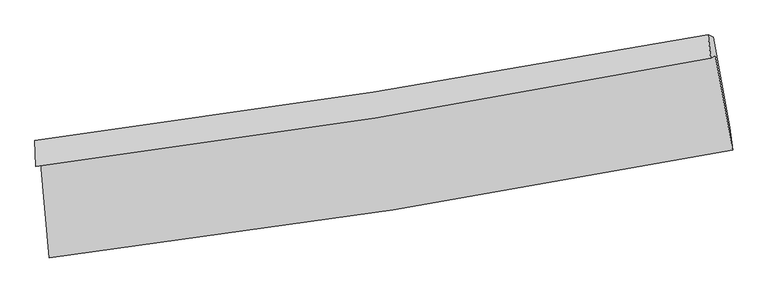
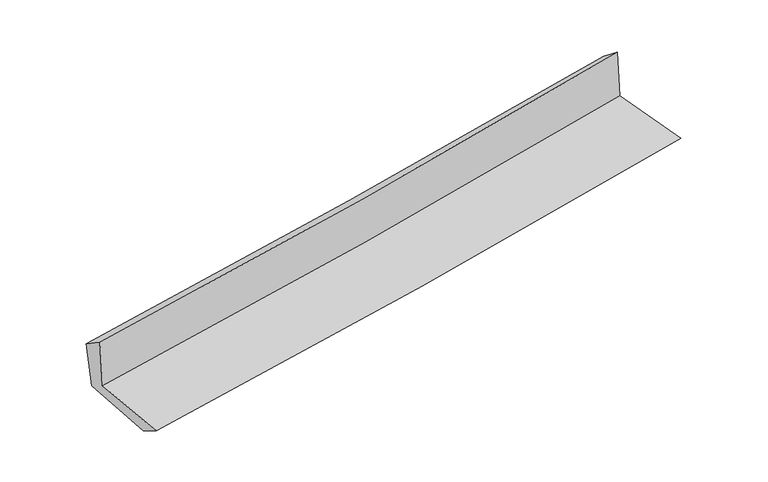
"""IFC4 building model written with IfcOpenShell, lengths in millimetres: proxy geometry."""

from ifc_helpers import new_model, si_unit, frame, origin, place, context, project, spatial, source, transform, mapped, element, save
from ifc_brep_helpers import plane_surface, spline_curve, spline_surface, advanced_brep


def generic_models_33b14139(model_context):
    return source(origin(), model_context, "Body", "AdvancedBrep", [
        advanced_brep(
        [(-2383.0013695, -1869.7456368, 1673.6898658), (-2320.8049625, -2529.0285182, 1657.4202744), (2452.9356956, -1776.0882669, 2089.5905813), (2332.271874, -1114.6298411, 2101.112519), (-2415.29111, -1888.805148, 2075.4693172), (2299.980986, -1133.6900297, 2502.9062487), (-2422.1196627, -1706.8210046, 1957.9472107), (2281.5503618, -969.2904382, 2375.8127934), (-2389.0246539, -1722.8193508, 1584.828065), (2317.7554579, -984.9887365, 2000.6935171), (-2328.0030954, -2356.7229881, 1554.7951737), (2434.2101331, -1616.3052439, 1975.2006957)],
        [
            (0, 1),
            (1, 2, spline_curve(3, [(-2320.8049625, -2529.0285182, 1657.4202744), (-1519.218954886, -2431.535182005, 1735.141508758), (-719.361730233, -2319.800189779, 1810.121560686), (871.863426383, -2068.641101669, 1954.14387529), (1663.253087962, -1929.396010009, 2023.220592682), (2452.9356956, -1776.0882669, 2089.5905813)], [4, 2, 4], [0.0, 7.938630710868494, 15.82721306355181])),
            (2, 3),
            (3, 0, spline_curve(3, [(2332.271874, -1114.6298411, 2101.112519), (1552.99861181, -1267.815832092, 2035.61059761), (771.67160021, -1407.180005463, 1967.362425932), (-800.060005312, -1659.061209641, 1824.923165533), (-1590.490741535, -1771.40230136, 1750.697119294), (-2383.0013695, -1869.7456368, 1673.6898658)], [4, 2, 4], [0.0, 7.888582352683316, 15.82721306355181])),
            (4, 0),
            (3, 5),
            (5, 4, spline_curve(3, [(2299.980986, -1133.6900297, 2502.9062487), (1520.707534331, -1286.876132468, 2437.406684493), (739.380522906, -1426.240305989, 2369.158513007), (-832.350702607, -1678.121285604, 2226.714523102), (-1622.781056612, -1790.462151425, 2152.483717304), (-2415.29111, -1888.805148, 2075.4693172)], [4, 2, 4], [0.0, 7.8414869938649225, 15.732723553903782])),
            (6, 4),
            (5, 7),
            (7, 6, spline_curve(3, [(2281.5503618, -969.2904382, 2375.8127934), (1503.464873897, -1114.3893862, 2311.484449609), (723.694457208, -1248.241069767, 2244.616315982), (-844.174103501, -1494.22775887, 2105.36011747), (-1632.293694932, -1606.219597665, 2032.939723386), (-2422.1196627, -1706.8210046, 1957.9472107)], [4, 2, 4], [0.0, 7.828957875162868, 15.707585826701315])),
            (8, 6),
            (7, 9),
            (9, 8, spline_curve(3, [(2317.7554579, -984.9887365, 2000.6935171), (1539.366508683, -1130.275071463, 1934.055897271), (759.186344075, -1264.245590564, 1866.195099813), (-809.7175595, -1510.333168501, 1727.588852295), (-1598.464098685, -1622.306187477, 1656.82783253), (-2389.0246539, -1722.8193508, 1584.828065)], [4, 2, 4], [0.0, 7.818730215310031, 15.687065618583397])),
            (10, 8),
            (9, 11),
            (11, 10, spline_curve(3, [(2434.2101331, -1616.3052439, 1975.2006957), (1645.785412167, -1760.847268818, 1907.810882191), (855.981236239, -1894.658688936, 1839.196848503), (-731.405614107, -2141.601194357, 1699.077257554), (-1529.005847667, -2254.595688859, 1627.556117496), (-2328.0030954, -2356.7229881, 1554.7951737)], [4, 2, 4], [0.0, 7.866329342045312, 15.782565860172692])),
            (1, 10),
            (11, 2),
        ],
        [
            spline_surface(3, 3, [[(-2383.0013695, -1869.7456368, 1673.6898658), (-1590.49074166, -1771.402301236, 1750.697119255), (-800.060005321, -1659.061209543, 1824.923165461), (771.671600219, -1407.18000556, 1967.362426004), (1552.998611706, -1267.815832016, 2035.610597545), (2332.271874, -1114.6298411, 2101.112519)], [(-2362.269233803, -2089.506597264, 1668.26666868), (-1566.733479407, -1991.4465948, 1745.511915777), (-773.160580353, -1879.307536268, 1819.989297153), (805.068875621, -1627.667037579, 1962.956242464), (1589.750103791, -1488.342558031, 2031.480595912), (2372.493147893, -1335.115983038, 2097.271873112)], [(-2341.537098197, -2309.267557736, 1662.84347152), (-1542.976217245, -2211.490888372, 1740.326712259), (-746.261155314, -2099.55386305, 1815.055428872), (838.466151094, -1848.154069654, 1958.550058951), (1626.501595799, -1708.869284033, 2027.350594244), (2412.714421707, -1555.602124962, 2093.431227188)], [(-2320.8049625, -2529.0285182, 1657.4202744), (-1519.218954992, -2431.535181936, 1735.141508781), (-719.361730346, -2319.800189775, 1810.121560565), (871.863426496, -2068.641101673, 1954.143875411), (1663.253087884, -1929.396010049, 2023.220592611), (2452.9356956, -1776.0882669, 2089.5905813)]], [4, 4], [4, 2, 4], [0.0, 2.189615479471458], [0.0, 7.938630710868494, 15.82721306355181]),
            spline_surface(3, 3, [[(-2415.29111, -1888.805148, 2075.4693172), (-1622.781056517, -1790.462151459, 2152.483717343), (-832.350702575, -1678.121285611, 2226.714523065), (739.380522875, -1426.240305982, 2369.158513045), (1520.707534262, -1286.876132438, 2437.406684485), (2299.980986, -1133.6900297, 2502.9062487)], [(-2404.527863177, -1882.45197758, 1941.542833384), (-1612.017618241, -1784.108868031, 2018.554851298), (-821.5871368, -1671.767926924, 2092.784070539), (750.144215347, -1419.886872511, 2235.226484039), (1531.471226734, -1280.522698966, 2303.47465548), (2310.744615324, -1127.336633503, 2368.975005442)], [(-2393.764616323, -1876.09880722, 1807.616349616), (-1601.254179935, -1777.755584663, 1884.625985301), (-810.823571097, -1665.414568229, 1958.853617987), (760.907907746, -1413.533439031, 2101.294455009), (1542.234919234, -1274.169265487, 2169.54262655), (2321.508244676, -1120.983237297, 2235.043762258)], [(-2383.0013695, -1869.7456368, 1673.6898658), (-1590.49074166, -1771.402301236, 1750.697119255), (-800.060005321, -1659.061209543, 1824.923165461), (771.671600219, -1407.18000556, 1967.362426004), (1552.998611706, -1267.815832016, 2035.610597545), (2332.271874, -1114.6298411, 2101.112519)]], [4, 4], [4, 2, 4], [0.0, 1.3239486827680218], [0.0, 7.891236560038859, 15.732723553903782]),
            spline_surface(3, 3, [[(-2422.1196627, -1706.8210046, 1957.9472107), (-1632.293694808, -1606.219597718, 2032.939723506), (-844.174103449, -1494.227758938, 2105.360117515), (723.694457156, -1248.2410697, 2244.616315937), (1503.46487396, -1114.389386325, 2311.48444951), (2281.5503618, -969.2904382, 2375.8127934)], [(-2419.843478469, -1767.482385756, 1997.12124621), (-1629.122815379, -1667.633782321, 2072.787721461), (-840.232969818, -1555.525601169, 2145.811586019), (728.923145736, -1307.574148467, 2286.130381627), (1509.212427392, -1171.884968354, 2353.458527854), (2287.693903198, -1024.090302025, 2418.17727852)], [(-2417.567294231, -1828.143766844, 2036.29528169), (-1625.951935945, -1729.047966856, 2112.635719388), (-836.291836206, -1616.82344338, 2186.263054561), (734.151834295, -1366.907227215, 2327.644447355), (1514.95998083, -1229.380550408, 2395.432606141), (2293.837444602, -1078.890165875, 2460.54176358)], [(-2415.29111, -1888.805148, 2075.4693172), (-1622.781056517, -1790.462151459, 2152.483717343), (-832.350702575, -1678.121285611, 2226.714523065), (739.380522875, -1426.240305982, 2369.158513045), (1520.707534262, -1286.876132438, 2437.406684485), (2299.980986, -1133.6900297, 2502.9062487)]], [4, 4], [4, 2, 4], [0.0, 0.7191775534234566], [0.0, 7.878627951538447, 15.707585826701315]),
            spline_surface(3, 3, [[(-2389.0246539, -1722.8193508, 1584.828065), (-1598.464098608, -1622.306187403, 1656.827832524), (-809.717559429, -1510.333168436, 1727.58885233), (759.186344005, -1264.245590629, 1866.195099779), (1539.366508774, -1130.275071498, 1934.055897366), (2317.7554579, -984.9887365, 2000.6935171)], [(-2400.056323503, -1717.48656873, 1709.201113559), (-1609.740630677, -1616.943990838, 1782.198462844), (-821.203074128, -1504.964698589, 1853.512607382), (747.355715029, -1258.910750305, 1992.335505155), (1527.399297176, -1124.979843115, 2059.865414745), (2305.68709254, -979.755970408, 2125.733275864)], [(-2411.087993097, -1712.15378667, 1833.574162141), (-1621.017162738, -1611.581794283, 1907.569093186), (-832.68858875, -1499.596228785, 1979.436362463), (735.525086132, -1253.575910023, 2118.475910561), (1515.432085558, -1119.684614708, 2185.674932131), (2293.61872716, -974.523204292, 2250.773034636)], [(-2422.1196627, -1706.8210046, 1957.9472107), (-1632.293694808, -1606.219597718, 2032.939723506), (-844.174103449, -1494.227758938, 2105.360117515), (723.694457156, -1248.2410697, 2244.616315937), (1503.46487396, -1114.389386325, 2311.48444951), (2281.5503618, -969.2904382, 2375.8127934)]], [4, 4], [4, 2, 4], [0.0, 1.2468742201567578], [0.0, 7.868335403273366, 15.687065618583397]),
            spline_surface(3, 3, [[(-2328.0030954, -2356.7229881, 1554.7951737), (-1529.005847787, -2254.59568888, 1627.556117518), (-731.405614105, -2141.601194276, 1699.077257606), (855.981236237, -1894.658689016, 1839.196848452), (1645.785412043, -1760.847268901, 1907.810882318), (2434.2101331, -1616.3052439, 1975.2006957)], [(-2348.343614908, -2145.421775669, 1564.806137486), (-1552.158598069, -2043.832521724, 1637.313355873), (-757.509595869, -1931.178518996, 1708.581122508), (823.71627217, -1684.520989554, 1848.196265555), (1610.312444266, -1550.656536442, 1916.559220651), (2395.391908012, -1405.866408109, 1983.698302817)], [(-2368.684134392, -1934.120563231, 1574.817101214), (-1575.311348327, -1833.06935456, 1647.070594169), (-783.613577665, -1720.755843715, 1718.084987428), (791.451308072, -1474.383290091, 1857.195682676), (1574.839476552, -1340.465803957, 1925.307559034), (2356.573682988, -1195.427572291, 1992.195909983)], [(-2389.0246539, -1722.8193508, 1584.828065), (-1598.464098608, -1622.306187403, 1656.827832524), (-809.717559429, -1510.333168436, 1727.58885233), (759.186344005, -1264.245590629, 1866.195099779), (1539.366508774, -1130.275071498, 1934.055897366), (2317.7554579, -984.9887365, 2000.6935171)]], [4, 4], [4, 2, 4], [0.0, 2.0914916154384326], [0.0, 7.91623651812738, 15.782565860172692]),
            spline_surface(3, 3, [[(-2320.8049625, -2529.0285182, 1657.4202744), (-1519.218954992, -2431.535181936, 1735.141508781), (-719.361730346, -2319.800189775, 1810.121560565), (871.863426496, -2068.641101673, 1954.143875411), (1663.253087884, -1929.396010049, 2023.220592611), (2452.9356956, -1776.0882669, 2089.5905813)], [(-2323.20434014, -2471.593341501, 1623.211907481), (-1522.481252598, -2372.555350919, 1699.279711675), (-723.376358258, -2260.400524632, 1773.106792941), (866.569363085, -2010.646964143, 1915.828199788), (1657.43052927, -1873.213096317, 1984.750689193), (2446.693841433, -1722.827259217, 2051.460619446)], [(-2325.60371776, -2414.158164799, 1589.003540619), (-1525.743550182, -2313.575519898, 1663.417914625), (-727.390986193, -2201.00085942, 1736.092025229), (861.275299649, -1952.652826545, 1877.512524075), (1651.607970658, -1817.030182633, 1946.280785737), (2440.451987267, -1669.566251583, 2013.330657554)], [(-2328.0030954, -2356.7229881, 1554.7951737), (-1529.005847787, -2254.59568888, 1627.556117518), (-731.405614105, -2141.601194276, 1699.077257606), (855.981236237, -1894.658689016, 1839.196848452), (1645.785412043, -1760.847268901, 1907.810882318), (2434.2101331, -1616.3052439, 1975.2006957)]], [4, 4], [4, 2, 4], [0.0, 0.6879792597469637], [0.0, 7.973911271645941, 15.897551762096102]),
            plane_surface(frame((2353.1174181, -1265.8320927, 2174.2193925), z_axis=(0.9802856618336361, 0.17730574197207685, 0.08719343477075282), x_axis=(-0.09598655787374394, 0.04161915805375931, 0.994512154973707))),
            plane_surface(frame((-2376.3741423, -2012.3237744, 1750.6916511), z_axis=(-0.9922455929028199, -0.09153289400707267, -0.08408574599551229), x_axis=(-0.09389412437984022, 0.9952791770931898, 0.024561210304995782))),
        ],
        [
            (0, [[1, 2, 3, 4]]),
            (1, [[5, -4, 6, 7]]),
            (2, [[8, -7, 9, 10]]),
            (3, [[11, -10, 12, 13]]),
            (4, [[14, -13, 15, 16]]),
            (5, [[17, -16, 18, -2]]),
            (6, [[-12, -9, -6, -3, -18, -15]]),
            (7, [[-1, -5, -8, -11, -14, -17]]),
        ],
    ),
    ])


if __name__ == "__main__":
    model = new_model("IFC4")
    model_context = context("Model", 3, world=origin())
    ifc_project = project(units=[si_unit("LENGTHUNIT", "METRE", prefix="MILLI")], contexts=[model_context])
    site = spatial("IfcSite", under=ifc_project)
    building = spatial("IfcBuilding", under=site)
    placement = place(None, origin())
    generic_models_shape = generic_models_33b14139(model_context)
    element("IfcBuildingElementProxy", 1, Name="Generic Models", at=placement, inside=building, context=model_context, shape_type="MappedRepresentation", body=[
        mapped(generic_models_shape, transform((0.0, 0.0, 0.0), x_axis=(1.0, 0.0, 0.0), y_axis=(0.0, 1.0, 0.0), z_axis=(0.0, 0.0, 1.0))),
    ])
    save(model, "model.ifc")
